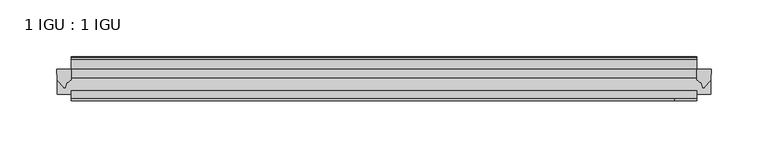
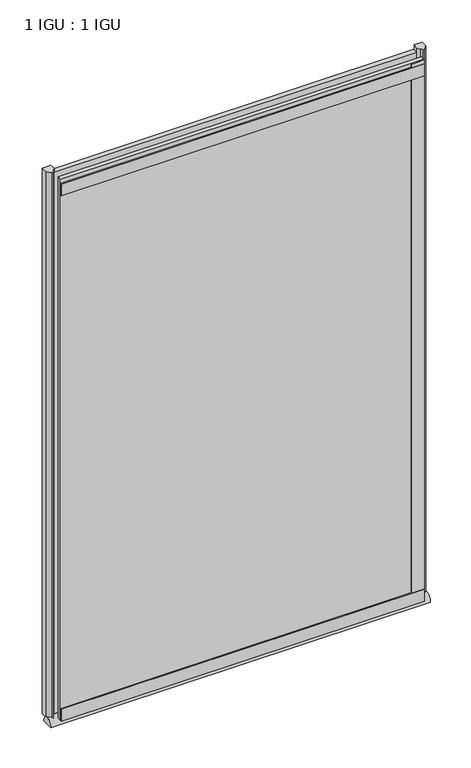
"""IFC4 building model written with IfcOpenShell, lengths in millimetres: plate geometry, 1 IGU : 1 IGU."""

import ifcopenshell
import ifcopenshell.guid

model = None  # the IFC model being written
_history = None  # IfcOwnerHistory: only IFC2X3 demands one
_inside = {}  # id of a spatial element -> (the spatial element, [elements in it])
_under = {}  # id of a project, library or spatial element -> (it, [spatial elements below it])
_declared = {}  # id of a project -> (the project, [libraries it declares])
_typed = {}  # id of a type object -> (the type object, [elements of that type])
_made_of = {}  # id of a material, layer set ... -> (it, [elements and type objects made of it])


def new_model(schema):
    """Start an empty IFC model of exactly this schema.

    Asked for "IFC4X3", IfcOpenShell would pick the latest addendum, in which some entities
    have other attributes; the version numbers below select the first issue.
    IFC2X3 requires an IfcOwnerHistory on every rooted entity: one is made here for all.
    """
    global model, _history
    if schema == "IFC4X3":
        model = ifcopenshell.file(schema_version=(4, 3, 0, 0))
    else:
        model = ifcopenshell.file(schema=schema)
    _inside.clear()
    _under.clear()
    _declared.clear()
    _typed.clear()
    _made_of.clear()
    _history = None
    if model.schema == "IFC2X3":
        org = make("IfcOrganization", Name="unknown")
        user = make(
            "IfcPersonAndOrganization",
            ThePerson=make("IfcPerson", FamilyName="unknown"),
            TheOrganization=org,
        )
        app = make(
            "IfcApplication",
            ApplicationDeveloper=org,
            Version="unknown",
            ApplicationFullName="unknown",
            ApplicationIdentifier="unknown",
        )
        _history = make(
            "IfcOwnerHistory",
            OwningUser=user,
            OwningApplication=app,
            ChangeAction="ADDED",
            CreationDate=0,
        )
    return model


def make(cls, **values):
    """One entity of the class cls with the attributes given. An attribute that is None is left unset."""
    return model.create_entity(
        cls, **{name: value for name, value in values.items() if value is not None}
    )


def rooted(cls, **values):
    """An entity with a GlobalId (a new one), such as an element, a storey or a relation."""
    return make(cls, GlobalId=ifcopenshell.guid.new(), OwnerHistory=_history, **values)


def si_unit(unit_type, name, prefix=None):
    """IfcSIUnit, for example si_unit("LENGTHUNIT", "METRE", prefix="MILLI")."""
    return make("IfcSIUnit", UnitType=unit_type, Prefix=prefix, Name=name)


def assignment(units):
    """IfcUnitAssignment: the units of a project."""
    return None if units is None else make("IfcUnitAssignment", Units=units)


def point(xyz):
    """IfcCartesianPoint."""
    return None if xyz is None else make("IfcCartesianPoint", Coordinates=xyz)


def direction(xyz):
    """IfcDirection."""
    return None if xyz is None else make("IfcDirection", DirectionRatios=xyz)


def frame(location, z_axis=None, x_axis=None):
    """IfcAxis2Placement3D, a coordinate frame: its origin and axes. An axis left out is left unset."""
    return make(
        "IfcAxis2Placement3D",
        Location=point(location),
        Axis=direction(z_axis),
        RefDirection=direction(x_axis),
    )


def frame_2d(location, x_axis=None):
    """IfcAxis2Placement2D, a coordinate frame in the plane: its origin and x axis."""
    return make(
        "IfcAxis2Placement2D", Location=point(location), RefDirection=direction(x_axis)
    )


def origin():
    """The frame at (0, 0, 0) with its axes left unset."""
    return frame((0.0, 0.0, 0.0))


def place(relative_to, where):
    """IfcLocalPlacement: puts the frame where relative to a parent placement (None: the world)."""
    return make(
        "IfcLocalPlacement", PlacementRelTo=relative_to, RelativePlacement=where
    )


def context(
    kind, dimensions, precision=None, world=None, true_north=None, identifier=None
):
    """IfcGeometricRepresentationContext, for example the 3D "Model" context."""
    return make(
        "IfcGeometricRepresentationContext",
        ContextIdentifier=identifier,
        ContextType=kind,
        CoordinateSpaceDimension=dimensions,
        Precision=precision,
        WorldCoordinateSystem=world,
        TrueNorth=true_north,
    )


def project(units=None, contexts=None):
    """IfcProject with its units and contexts."""
    return rooted(
        "IfcProject",
        Name="project",
        RepresentationContexts=contexts,
        UnitsInContext=assignment(units),
    )


def spatial(cls, under=None, at=None, **own):
    """A site, building, storey or space (cls), placed at a placement, below another one or the project."""
    s = rooted(cls, ObjectPlacement=at, **own)
    if under is not None:
        _under.setdefault(under.id(), (under, []))[1].append(s)
    return s


def polyline(points):
    """IfcPolyline through the points."""
    return make("IfcPolyline", Points=[point(p) for p in points])


def circle_curve(where, radius):
    """IfcCircle in the frame where."""
    return make("IfcCircle", Position=where, Radius=radius)


def ellipse_curve(where, semi_axis1, semi_axis2):
    """IfcEllipse in the frame where."""
    return make(
        "IfcEllipse", Position=where, SemiAxis1=semi_axis1, SemiAxis2=semi_axis2
    )


def trimmed(basis, trim1, trim2, sense, master):
    """IfcTrimmedCurve: the piece of a basis curve between two trims."""
    return make(
        "IfcTrimmedCurve",
        BasisCurve=basis,
        Trim1=trim1,
        Trim2=trim2,
        SenseAgreement=sense,
        MasterRepresentation=master,
    )


def segment(curve, same_sense, transition):
    """IfcCompositeCurveSegment."""
    return make(
        "IfcCompositeCurveSegment",
        Transition=transition,
        SameSense=same_sense,
        ParentCurve=curve,
    )


def composite_curve(segments, self_intersect=None):
    """IfcCompositeCurve: segments joined end to end."""
    return make("IfcCompositeCurve", Segments=segments, SelfIntersect=self_intersect)


def outline(outer, holes=None, kind="AREA"):
    """IfcArbitraryClosedProfileDef: a profile drawn as a closed curve; with holes, ...WithVoids."""
    if holes is None:
        return make("IfcArbitraryClosedProfileDef", ProfileType=kind, OuterCurve=outer)
    return make(
        "IfcArbitraryProfileDefWithVoids",
        ProfileType=kind,
        OuterCurve=outer,
        InnerCurves=holes,
    )


def extrude(swept, where, along, depth):
    """IfcExtrudedAreaSolid: the profile swept, set in the frame where, extruded along a direction by depth."""
    return make(
        "IfcExtrudedAreaSolid",
        SweptArea=swept,
        Position=where,
        ExtrudedDirection=direction(along),
        Depth=depth,
    )


def shape(context_of_items, identifier, shape_type, items):
    """IfcShapeRepresentation: the items that make up one representation, for example the "Body"."""
    return make(
        "IfcShapeRepresentation",
        ContextOfItems=context_of_items,
        RepresentationIdentifier=identifier,
        RepresentationType=shape_type,
        Items=items,
    )


def source(mapping_origin, context_of_items, identifier, shape_type, items):
    """IfcRepresentationMap: a shape defined once, which mapped items show again and again."""
    return make(
        "IfcRepresentationMap",
        MappingOrigin=mapping_origin,
        MappedRepresentation=shape(context_of_items, identifier, shape_type, items),
    )


def transform(
    local_origin,
    x_axis=None,
    y_axis=None,
    z_axis=None,
    scale=None,
    scale2=None,
    scale3=None,
    uniform=True,
):
    """IfcCartesianTransformationOperator3D, or its non-uniform kind. x_axis, y_axis, z_axis: its Axis1, 2, 3."""
    if uniform:
        return make(
            "IfcCartesianTransformationOperator3D",
            Axis1=direction(x_axis),
            Axis2=direction(y_axis),
            LocalOrigin=point(local_origin),
            Scale=scale,
            Axis3=direction(z_axis),
        )
    return make(
        "IfcCartesianTransformationOperator3DnonUniform",
        Axis1=direction(x_axis),
        Axis2=direction(y_axis),
        LocalOrigin=point(local_origin),
        Scale=scale,
        Axis3=direction(z_axis),
        Scale2=scale2,
        Scale3=scale3,
    )


def mapped(mapping_source, mapping_target):
    """IfcMappedItem: shows the shape of a source again, moved by a transform."""
    return make(
        "IfcMappedItem", MappingSource=mapping_source, MappingTarget=mapping_target
    )


def made_of(thing, what):
    """Note that an element or type object is made of a material, layer set ...; save() writes the relation."""
    if what is not None:
        _made_of.setdefault(what.id(), (what, []))[1].append(thing)
    return thing


def element(
    cls,
    number,
    at=None,
    inside=None,
    cuts=None,
    type_object=None,
    material=None,
    context=None,
    identifier="Body",
    shape_type=None,
    held_by="IfcProductDefinitionShape",
    body=None,
    shapes=None,
    **own,
):
    """One element of the class cls, such as IfcWall. Its Tag is "e" and its number.

    at: its placement. inside: the storey or other place that contains it. cuts: it is an
    opening in that element (IfcRelVoidsElement). A single representation is given by context,
    identifier, shape_type and body (its items); several are given by shapes. held_by: the class
    of the entity that holds the representations. save() writes the other relations.
    """
    e = rooted(cls, Tag="e%d" % number, ObjectPlacement=at, **own)
    if body is not None:
        shapes = [shape(context, identifier, shape_type, body)]
    if shapes is not None:
        e.Representation = make(held_by, Representations=shapes)
    if inside is not None:
        _inside.setdefault(inside.id(), (inside, []))[1].append(e)
    if cuts is not None:
        rooted(
            "IfcRelVoidsElement", RelatingBuildingElement=cuts, RelatedOpeningElement=e
        )
    if type_object is not None:
        _typed.setdefault(type_object.id(), (type_object, []))[1].append(e)
    return made_of(e, material)


def aggregate(whole, parts):
    """IfcRelAggregates: a whole, such as a stair, and the parts it consists of."""
    return rooted("IfcRelAggregates", RelatingObject=whole, RelatedObjects=parts)


def save(model, path):
    """Write the relations noted so far, then the file.

    IfcRelAggregates (storeys below a building ...), IfcRelContainedInSpatialStructure (elements
    in a storey), IfcRelDefinesByType, IfcRelAssociatesMaterial and IfcRelDeclares: one each for
    every whole, place, type object, material and project.
    """
    for whole, parts in _under.values():
        aggregate(whole, parts)
    for where, things in _inside.values():
        rooted(
            "IfcRelContainedInSpatialStructure",
            RelatedElements=things,
            RelatingStructure=where,
        )
    for kind, things in _typed.values():
        rooted("IfcRelDefinesByType", RelatedObjects=things, RelatingType=kind)
    for what, things in _made_of.values():
        rooted("IfcRelAssociatesMaterial", RelatedObjects=things, RelatingMaterial=what)
    for by, libraries in _declared.values():
        rooted("IfcRelDeclares", RelatingContext=by, RelatedDefinitions=libraries)
    model.write(path)


def plane_surface(at):
    """IfcPlane: the flat surface through the origin of the frame at, square to its z axis."""
    return make("IfcPlane", Position=at)


def extruded_surface(curve, direction_of_extrusion, depth):
    """IfcSurfaceOfLinearExtrusion: the curve pushed along a direction by depth."""
    return make(
        "IfcSurfaceOfLinearExtrusion",
        SweptCurve=make("IfcArbitraryOpenProfileDef", ProfileType="CURVE", Curve=curve),
        ExtrudedDirection=direction(direction_of_extrusion),
        Depth=depth,
    )


def advanced_brep(points, edges, surfaces, faces):
    """IfcAdvancedBrep: a solid bounded by faces that lie on surfaces and meet in shared edges.

    An edge is (start, end): straight between two places in points (the first is 0);
    or (start, end, curve); or (start, end, curve, False) where it runs against its curve.
    A face is (place in surfaces, loops), or (place, loops, False) where it looks against
    its surface's normal. A loop lists edges by number (the first is 1), with a minus sign
    where the edge is run from its end to its start. The first loop is the outer one.
    """
    corners = [point(p) for p in points]
    vertices = [make("IfcVertexPoint", VertexGeometry=c) for c in corners]
    made = []
    for start, end, *more in edges:
        made.append(
            make(
                "IfcEdgeCurve",
                EdgeStart=vertices[start],
                EdgeEnd=vertices[end],
                EdgeGeometry=more[0] if more else make("IfcPolyline", Points=[corners[start], corners[end]]),
                SameSense=more[1] if len(more) > 1 else True,
            )
        )
    hull = []
    for where, loops, *sense in faces:
        bounds = []
        for j, loop in enumerate(loops):
            ring = [make("IfcOrientedEdge", EdgeElement=made[abs(k) - 1], Orientation=k > 0) for k in loop]
            bounds.append(
                make(
                    "IfcFaceOuterBound" if j == 0 else "IfcFaceBound",
                    Bound=make("IfcEdgeLoop", EdgeList=ring),
                    Orientation=True,
                )
            )
        hull.append(make("IfcAdvancedFace", Bounds=bounds, FaceSurface=surfaces[where], SameSense=sense[0] if sense else True))
    return make("IfcAdvancedBrep", Outer=make("IfcClosedShell", CfsFaces=hull))


def plate_1_igu_1_igu_aea98b38(model_context):
    return source(origin(), model_context, "Body", "SolidModel", [
        extrude(outline(polyline([(307.9884937, -11.6085937), (307.9884937, -18.8576359), (-243.8931812, -18.8576359), (-243.8931812, -11.6085937), (307.9884937, -11.6085937)])), frame((0.0, 0.0, -19.05), z_axis=(0.0, 0.0, 1.0), x_axis=(1.0, 0.0, 0.0)), (0.0, 0.0, 1.0), 869.9409101),
        extrude(outline(polyline([(-243.8931812, -30.7093937), (307.9884937, -30.7093937), (307.9884937, -37.0085937), (-243.8931812, -37.0085937), (-243.8931812, -30.7093937)])), frame((0.0, 0.0, -19.05), z_axis=(0.0, 0.0, 1.0), x_axis=(1.0, 0.0, 0.0)), (0.0, 0.0, 1.0), 869.9409101),
        advanced_brep(
        [(320.6884937, -33.6472189, -28.575), (320.6884937, -14.9699686, -28.575), (-256.5931813, -33.6472189, -28.575), (-256.5931813, -14.9699686, -28.575)],
        [
            (0, 1),
            (1, 0, ellipse_curve(frame((320.6884937, -24.3085937, -28.575), z_axis=(1.0, 0.0, 0.0), x_axis=(0.0, 0.0, 1.0)), 10.6973372, 9.3386252)),
            (2, 3, ellipse_curve(frame((-256.5931813, -24.3085937, -28.575), z_axis=(-1.0, 0.0, 0.0), x_axis=(0.0, 0.0, 1.0)), 10.6973372, 9.3386252)),
            (3, 2),
            (0, 2),
            (3, 1),
        ],
        [
            plane_surface(frame((320.6884937, -9.2273438, -28.575), z_axis=(1.0, 0.0, 0.0), x_axis=(0.0, 1.0, 0.0))),
            plane_surface(frame((-256.5931813, -9.2273437, -28.575), z_axis=(-1.0, 0.0, 0.0), x_axis=(0.0, 1.0, 0.0))),
            plane_surface(frame((320.6884937, -33.6472189, -28.575), z_axis=(0.0, 0.0, -1.0), x_axis=(-1.0, 0.0, 0.0))),
            extruded_surface(trimmed(ellipse_curve(frame((-256.5931813, -24.3085937, -28.575), z_axis=(1.0, 0.0, 0.0), x_axis=(0.0, 0.0, 1.0)), 10.6973372, 9.3386252), [point((-256.5931813, -14.9699686, -28.575))], [point((-256.5931813, -33.6472189, -28.575))], True, "CARTESIAN"), (577.281675, 0.0, 0.0), 577.281675),
        ],
        [
            (0, [[1, 2]]),
            (1, [[3, 4]]),
            (2, [[-1, 5, -4, 6]]),
            (3, [[-2, -6, -3, -5]]),
        ],
    ),
        extrude(outline(composite_curve([segment(polyline([(321.0664029, -11.6101465), (320.6884938, -21.3502133), (314.7504405, -27.6095865)]), True, "CONTINUOUS"), segment(trimmed(circle_curve(frame_2d((314.0776344, -27.2518492)), 0.762), [point((314.7504405, -27.6095865))], [point((313.3489302, -27.4746364))], False, "CARTESIAN"), True, "CONTINUOUS"), segment(polyline([(313.3489302, -27.4746364), (312.0870956, -23.3488397)]), True, "CONTINUOUS"), segment(trimmed(circle_curve(frame_2d((314.2690528, -16.3834724)), 7.2991286), [point((312.0870956, -23.3488397))], [point((307.9886724, -20.1028944))], False, "CARTESIAN"), True, "CONTINUOUS"), segment(polyline([(307.9886724, -20.1028944), (307.9886724, -12.664425)]), True, "CONTINUOUS"), segment(trimmed(circle_curve(frame_2d((314.2699268, -16.3827796)), 7.2993369), [point((307.9886724, -12.664425))], [point((308.7470388, -11.6101465))], False, "CARTESIAN"), True, "CONTINUOUS"), segment(polyline([(308.7470388, -11.6101465), (321.0664029, -11.6101465)]), True, "CONTINUOUS")], self_intersect=False)), frame((0.0, 0.0, -19.05), z_axis=(0.0, 0.0, 1.0), x_axis=(1.0, 0.0, 0.0)), (0.0, 0.0, 1.0), 877.0783101),
        extrude(outline(composite_curve([segment(polyline([(-243.8931812, -11.610702), (-243.8931812, -20.1014769)]), True, "CONTINUOUS"), segment(trimmed(circle_curve(frame_2d((-250.1743756, -16.3829847)), 7.2993552), [point((-243.8931812, -20.1014769))], [point((-247.992131, -23.3484994))], False, "CARTESIAN"), True, "CONTINUOUS"), segment(polyline([(-247.992131, -23.3484994), (-249.2536177, -27.4746364)]), True, "CONTINUOUS"), segment(trimmed(circle_curve(frame_2d((-249.9823219, -27.2518492)), 0.762), [point((-249.2536177, -27.4746364))], [point((-250.655128, -27.6095865))], False, "CARTESIAN"), True, "CONTINUOUS"), segment(polyline([(-250.655128, -27.6095865), (-256.5931812, -21.3502133), (-256.9710904, -11.610702), (-243.8931812, -11.610702)]), True, "CONTINUOUS")], self_intersect=False)), frame((0.0, 0.0, -19.05), z_axis=(0.0, 0.0, 1.0), x_axis=(1.0, 0.0, 0.0)), (0.0, 0.0, 1.0), 877.0783101),
        extrude(outline(polyline([(-243.8931813, -39.2945937), (-243.8931813, -37.0085937), (307.9884937, -37.0085937), (307.9884937, -39.2945937), (-243.8931813, -39.2945937)])), frame((0.0, 0.0, -19.05), z_axis=(0.0, 0.0, 1.0), x_axis=(1.0, 0.0, 0.0)), (0.0, 0.0, 1.0), 19.05),
        extrude(outline(composite_curve([segment(polyline([(-3.0995937, 840.8103314), (-3.0995937, 838.7783314), (-5.2585937, 838.7783314), (-5.2585937, 833.4443314), (-1.5755937, 833.4443314), (-1.5755937, 830.3963314), (-5.2585937, 830.3963314), (-5.2585937, 825.5703314), (-0.5298657, 826.2349108), (-0.4061408, 825.3545625)]), True, "CONTINUOUS"), segment(trimmed(circle_curve(frame_2d((-1.4122531, 825.2131626)), 1.016), [point((-0.4061408, 825.3545625))], [point((-1.2708533, 824.2070502))], False, "CARTESIAN"), True, "CONTINUOUS"), segment(polyline([(-1.2708533, 824.2070502), (-11.6085937, 822.7541756), (-11.6085937, 840.8103314), (-3.0995937, 840.8103314)]), True, "CONTINUOUS")], self_intersect=False)), frame((-243.8931813, 0.0, 0.0), z_axis=(1.0, 0.0, 0.0), x_axis=(0.0, 1.0, 0.0)), (0.0, 0.0, 1.0), 551.881675),
        extrude(outline(polyline([(-243.8931813, -39.2945937), (-243.8931813, -37.0085937), (307.9884937, -37.0085937), (307.9884937, -39.2945937), (-243.8931813, -39.2945937)])), frame((0.0, 0.0, 825.4909101), z_axis=(0.0, 0.0, 1.0), x_axis=(1.0, 0.0, 0.0)), (0.0, 0.0, 1.0), 19.05),
        extrude(outline(polyline([(288.9384938, -37.0085937), (307.9884938, -37.0085937), (307.9884938, -39.2945938), (288.9384938, -39.2945938), (288.9384938, -37.0085937)])), frame((0.0, 0.0, -19.05), z_axis=(0.0, 0.0, 1.0), x_axis=(1.0, 0.0, 0.0)), (0.0, 0.0, 1.0), 869.9409101),
    ])


if __name__ == "__main__":
    model = new_model("IFC4")
    model_context = context("Model", 3, world=origin())
    ifc_project = project(units=[si_unit("LENGTHUNIT", "METRE", prefix="MILLI")], contexts=[model_context])
    site = spatial("IfcSite", under=ifc_project)
    building = spatial("IfcBuilding", under=site)
    placement = place(None, origin())
    plate_1_igu_1_igu_shape = plate_1_igu_1_igu_aea98b38(model_context)
    element("IfcPlate", 1, ObjectType="1 IGU : 1 IGU", at=placement, inside=building, context=model_context, shape_type="MappedRepresentation", body=[
        mapped(plate_1_igu_1_igu_shape, transform((0.0, 0.0, 0.0), x_axis=(1.0, 0.0, 0.0), y_axis=(0.0, 1.0, 0.0), z_axis=(0.0, 0.0, 1.0))),
    ])
    save(model, "model.ifc")
